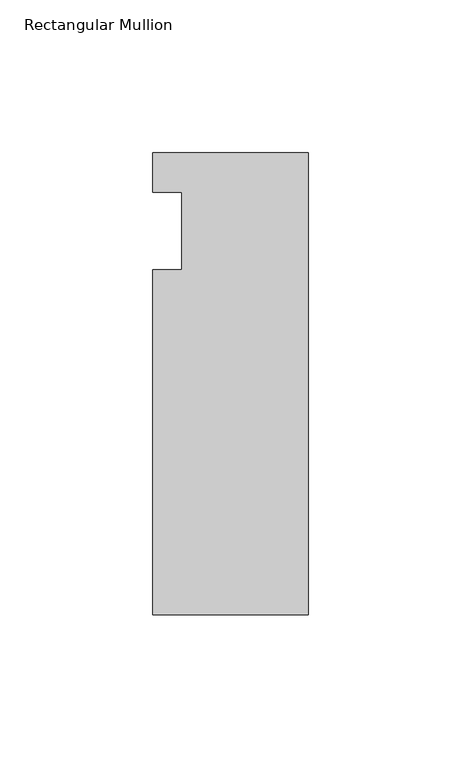
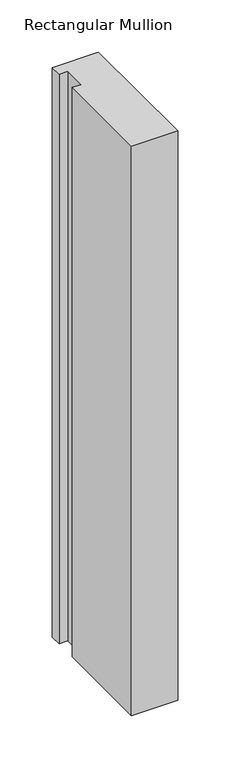
"""IFC4 building model written with IfcOpenShell, lengths in millimetres: member geometry, Rectangular Mullion."""

from ifc_helpers import new_model, si_unit, frame, origin, place, context, project, spatial, polyline, outline, extrude, source, transform, mapped, element, save


def rectangular_mullion_a80dcab1(model_context):
    return source(origin(), model_context, "Body", "SweptSolid", [
        extrude(outline(polyline([(-50.8, 25.5984375), (0.0, 25.5984375), (0.0, -125.6109375), (-50.8, -125.6109375), (-50.8, -12.7), (-41.275, -12.7), (-41.275, 12.7), (-50.8, 12.7), (-50.8, 25.5984375)])), frame((0.0, 0.0, -664.216413), z_axis=(0.0, 0.0, 1.0), x_axis=(1.0, 0.0, 0.0)), (0.0, 0.0, 1.0), 664.216413),
    ])


if __name__ == "__main__":
    model = new_model("IFC4")
    model_context = context("Model", 3, world=origin())
    ifc_project = project(units=[si_unit("LENGTHUNIT", "METRE", prefix="MILLI")], contexts=[model_context])
    site = spatial("IfcSite", under=ifc_project)
    building = spatial("IfcBuilding", under=site)
    placement = place(None, origin())
    rectangular_mullion_shape = rectangular_mullion_a80dcab1(model_context)
    element("IfcMember", 1, ObjectType="Rectangular Mullion", at=placement, inside=building, context=model_context, shape_type="MappedRepresentation", body=[
        mapped(rectangular_mullion_shape, transform((0.0, 0.0, 0.0), x_axis=(1.0, 0.0, 0.0), y_axis=(0.0, 1.0, 0.0), z_axis=(0.0, 0.0, 1.0))),
    ])
    save(model, "model.ifc")
